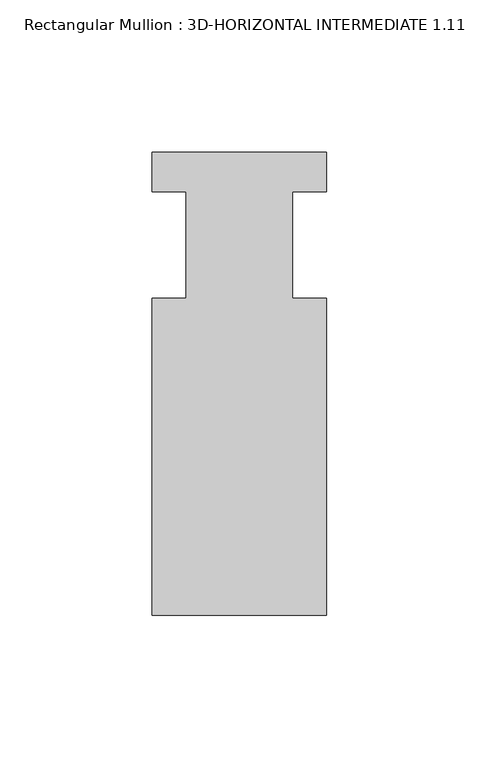
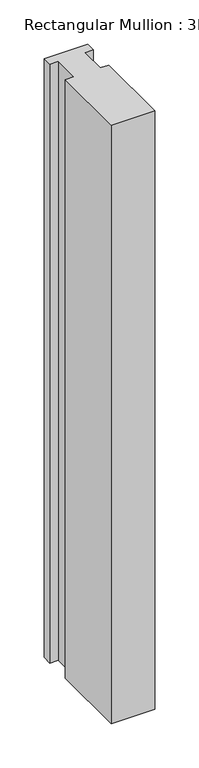
"""IFC4 building model written with IfcOpenShell, lengths in millimetres: member geometry, Rectangular Mullion : 3D-HORIZONTAL INTERMEDIATE 1.11."""

from ifc_helpers import new_model, si_unit, frame, origin, place, context, project, spatial, polyline, outline, extrude, source, transform, mapped, element, save


def rectangular_mullion_3d_horizontal_intermediate_1_11_b8a85682(model_context):
    return source(origin(), model_context, "Body", "SweptSolid", [
        extrude(outline(polyline([(28.575, 75.8444), (28.575, 62.9771117), (17.4625, 62.9771117), (17.4625, 28.0162), (28.575, 28.0162), (28.575, -75.8444), (-28.575, -75.8444), (-28.575, 28.0162), (-17.4625, 28.0162), (-17.4625, 62.9771117), (-28.575, 62.9771117), (-28.575, 75.8444), (28.575, 75.8444)])), frame((0.0, 0.0, -828.675), z_axis=(0.0, 0.0, 1.0), x_axis=(1.0, 0.0, 0.0)), (0.0, 0.0, 1.0), 828.675),
    ])


if __name__ == "__main__":
    model = new_model("IFC4")
    model_context = context("Model", 3, world=origin())
    ifc_project = project(units=[si_unit("LENGTHUNIT", "METRE", prefix="MILLI")], contexts=[model_context])
    site = spatial("IfcSite", under=ifc_project)
    building = spatial("IfcBuilding", under=site)
    placement = place(None, origin())
    rectangular_mullion_3d_horizontal_intermediate_1_11_shape = rectangular_mullion_3d_horizontal_intermediate_1_11_b8a85682(model_context)
    element("IfcMember", 1, ObjectType="Rectangular Mullion : 3D-HORIZONTAL INTERMEDIATE 1.11", at=placement, inside=building, context=model_context, shape_type="MappedRepresentation", body=[
        mapped(rectangular_mullion_3d_horizontal_intermediate_1_11_shape, transform((0.0, 0.0, 0.0), x_axis=(1.0, 0.0, 0.0), y_axis=(0.0, 1.0, 0.0), z_axis=(0.0, 0.0, 1.0))),
    ])
    save(model, "model.ifc")
